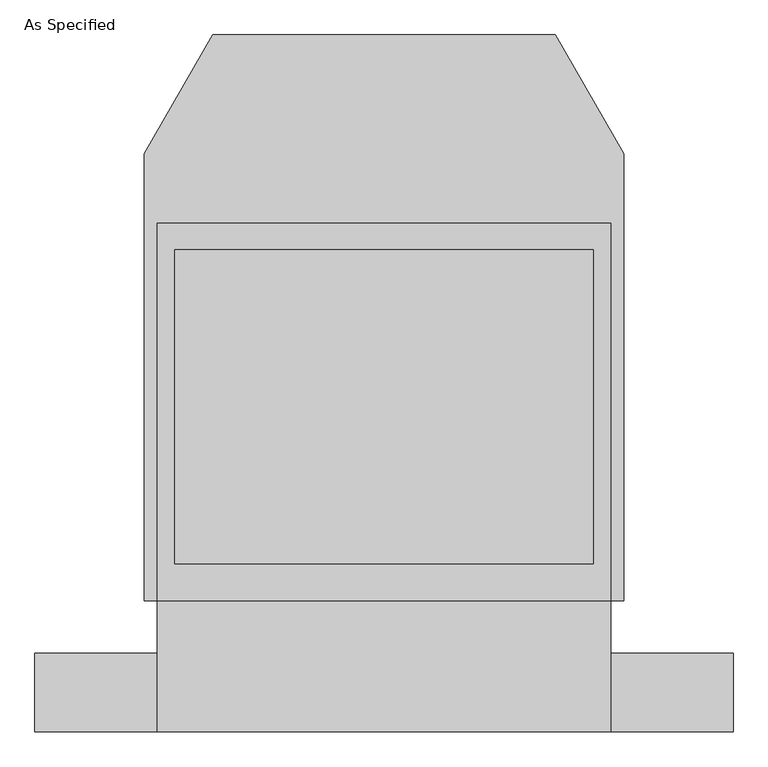
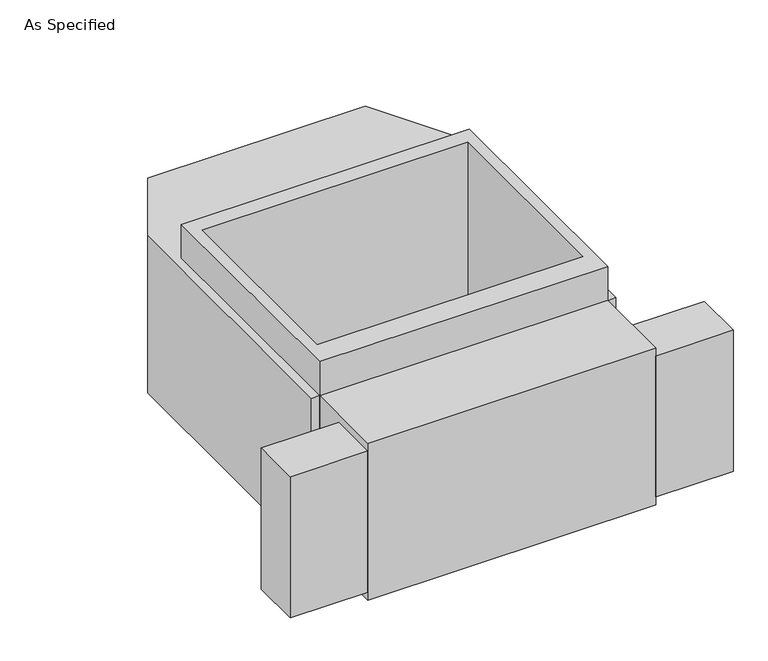
"""IFC4 building model written with IfcOpenShell, lengths in millimetres: proxy geometry, As Specified."""

from ifc_helpers import new_model, si_unit, frame, origin, place, context, project, spatial, polyline, outline, extrude, faceted_brep, source, transform, mapped, element, save


def as_specified_1da4c982(model_context):
    return source(origin(), model_context, "Body", "SolidModel", [
        extrude(outline(polyline([(660.4, -1014.1148438), (660.4, -785.5148438), (1016.0, -785.5148438), (1016.0, -1014.1148438), (660.4, -1014.1148438)])), frame((0.0, 0.0, -749.3), z_axis=(0.0, 0.0, 1.0), x_axis=(1.0, 0.0, 0.0)), (0.0, 0.0, 1.0), 685.8),
        extrude(outline(polyline([(-660.4, -1014.1148438), (-1016.0, -1014.1148438), (-1016.0, -785.5148438), (-660.4, -785.5148438), (-660.4, -1014.1148438)])), frame((0.0, 0.0, -749.3), z_axis=(0.0, 0.0, 1.0), x_axis=(1.0, 0.0, 0.0)), (0.0, 0.0, 1.0), 685.8),
        extrude(outline(polyline([(660.4, 465.4351562), (660.4, -633.1148438), (-660.4, -633.1148438), (-660.4, 465.4351562), (660.4, 465.4351562)]), holes=[polyline([(-609.6, 389.2748437), (-609.6, -525.1251563), (609.6, -525.1251563), (609.6, 389.2748437), (-609.6, 389.2748437)])]), frame((0.0, 0.0, -762.0), z_axis=(0.0, 0.0, 1.0), x_axis=(1.0, 0.0, 0.0)), (0.0, 0.0, 1.0), 901.7),
        faceted_brep([(660.4, -1014.1148438, -787.4), (-660.4, -1014.1148438, -787.4), (-660.4, -633.1148438, -787.4), (-698.5, -633.1148438, -787.4), (-698.5, 668.6748437, -787.4), (-499.060123, 1014.1148437, -787.4), (499.060123, 1014.1148437, -787.4), (698.5, 668.6748437, -787.4), (698.5, -633.1148438, -787.4), (660.4, -633.1148438, -787.4), (660.4, -1014.1148438, -25.4), (660.4, -633.1148438, -25.4), (698.5, -633.1148438, -25.4), (698.5, 668.6748437, -25.4), (499.060123, 1014.1148437, -25.4), (-499.060123, 1014.1148437, -25.4), (-698.5, 668.6748437, -25.4), (-698.5, -633.1148438, -25.4), (-660.4, -633.1148438, -25.4), (-660.4, -1014.1148438, -25.4), (609.6, 389.2748437, -25.4), (609.6, -525.1251563, -25.4), (-609.6, -525.1251563, -25.4), (-609.6, 389.2748437, -25.4), (609.6, 389.2748437, -762.0), (-609.6, 389.2748437, -762.0), (-609.6, -525.1251563, -762.0), (609.6, -525.1251563, -762.0)], [[[0, 1, 2, 3, 4, 5, 6, 7, 8, 9]], [[10, 11, 12, 13, 14, 15, 16, 17, 18, 19], [20, 21, 22, 23]], [[6, 5, 15, 14]], [[3, 17, 16, 4]], [[17, 3, 2, 18]], [[8, 12, 11, 9]], [[12, 8, 7, 13]], [[0, 9, 11, 10]], [[2, 1, 19, 18]], [[1, 0, 10, 19]], [[5, 4, 16, 15]], [[7, 6, 14, 13]], [[24, 25, 26, 27]], [[24, 27, 21, 20]], [[27, 26, 22, 21]], [[26, 25, 23, 22]], [[25, 24, 20, 23]]]),
    ])


if __name__ == "__main__":
    model = new_model("IFC4")
    model_context = context("Model", 3, world=origin())
    ifc_project = project(units=[si_unit("LENGTHUNIT", "METRE", prefix="MILLI")], contexts=[model_context])
    site = spatial("IfcSite", under=ifc_project)
    building = spatial("IfcBuilding", under=site)
    placement = place(None, origin())
    as_specified_shape = as_specified_1da4c982(model_context)
    element("IfcBuildingElementProxy", 1, Name="As Specified", ObjectType="As Specified", at=placement, inside=building, context=model_context, shape_type="MappedRepresentation", body=[
        mapped(as_specified_shape, transform((0.0, 0.0, 0.0), x_axis=(1.0, 0.0, 0.0), y_axis=(0.0, 1.0, 0.0), z_axis=(0.0, 0.0, 1.0))),
    ])
    save(model, "model.ifc")
